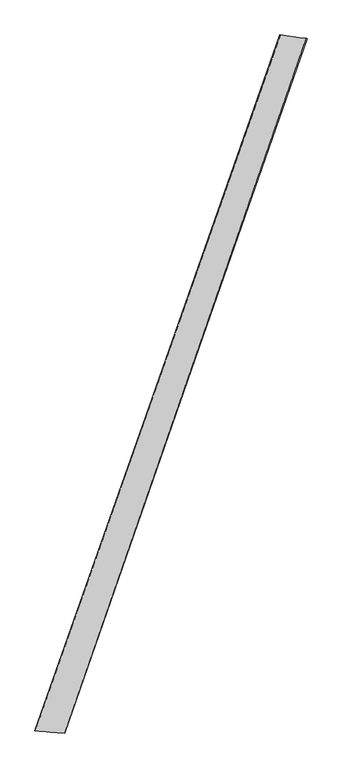
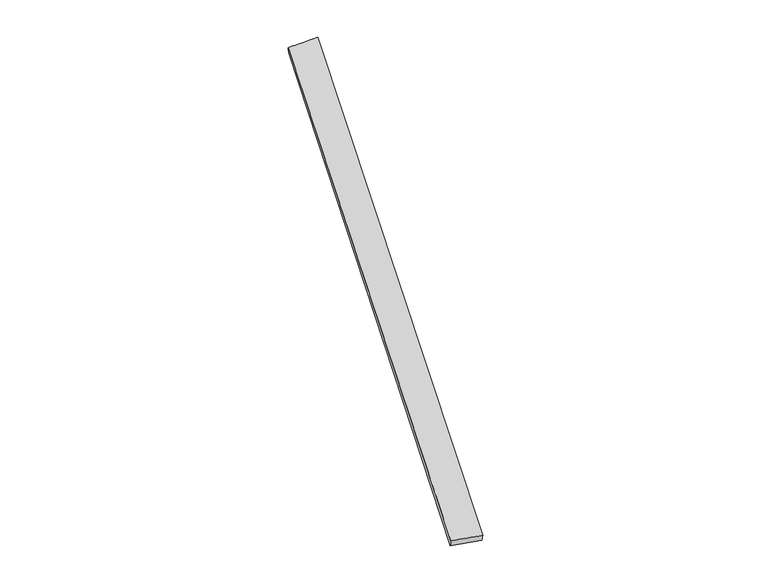
"""IFC4 building model written with IfcOpenShell, lengths in millimetres: proxy geometry."""

from ifc_helpers import new_model, si_unit, origin, place, context, project, spatial, source, transform, mapped, element, save
from ifc_brep_helpers import spline_surface, advanced_brep


def generic_models_fdafc3f8(model_context):
    return source(origin(), model_context, "Body", "AdvancedBrep", [
        advanced_brep(
        [(-713.521043, -1807.5866422, 9.7457748), (-710.6186279, -1808.4604367, 39.5922565), (699.3482412, 2205.1834262, 19.3163057), (702.4032942, 2203.9545969, -10.5024238), (-540.851052, -1821.016118, 19.9540119), (851.09365, 2184.6534794, 40.1284741), (-544.6257497, -1819.5447785, -9.7711764), (855.7434985, 2183.1768238, 10.5278255)],
        [
            (0, 1),
            (1, 2),
            (2, 3),
            (3, 0),
            (1, 4),
            (4, 5),
            (5, 2),
            (4, 6),
            (6, 7),
            (7, 5),
            (6, 0),
            (3, 7),
        ],
        [
            spline_surface(1, 1, [[(-713.521043, -1807.5866422, 9.7457748), (702.4032942, 2203.9545969, -10.5024238)], [(-710.6186279, -1808.4604367, 39.5922565), (699.3482412, 2205.1834262, 19.3163057)]], [2, 2], [2, 2], [0.0, 1.0], [0.0, 1.0]),
            spline_surface(1, 1, [[(-710.6186279, -1808.4604367, 39.5922565), (699.3482412, 2205.1834262, 19.3163057)], [(-540.851052, -1821.016118, 19.9540119), (851.09365, 2184.6534794, 40.1284741)]], [2, 2], [2, 2], [0.0, 1.0], [0.0, 1.0]),
            spline_surface(1, 1, [[(-540.851052, -1821.016118, 19.9540119), (851.09365, 2184.6534794, 40.1284741)], [(-544.6257497, -1819.5447785, -9.7711764), (855.7434985, 2183.1768238, 10.5278255)]], [2, 2], [2, 2], [0.0, 1.0], [0.0, 1.0]),
            spline_surface(1, 1, [[(-544.6257497, -1819.5447785, -9.7711764), (855.7434985, 2183.1768238, 10.5278255)], [(-713.521043, -1807.5866422, 9.7457748), (702.4032942, 2203.9545969, -10.5024238)]], [2, 2], [2, 2], [0.0, 1.0], [0.0, 1.0]),
            spline_surface(1, 1, [[(699.3482412, 2205.1834262, 19.3163057), (702.4032942, 2203.9545969, -10.5024238)], [(851.09365, 2184.6534794, 40.1284741), (855.7434985, 2183.1768238, 10.5278255)]], [2, 2], [2, 2], [0.0, 1.0], [0.0, 1.0]),
            spline_surface(1, 1, [[(-544.6257497, -1819.5447785, -9.7711764), (-713.521043, -1807.5866422, 9.7457748)], [(-540.851052, -1821.016118, 19.9540119), (-710.6186279, -1808.4604367, 39.5922565)]], [2, 2], [2, 2], [0.0, 1.0], [0.0, 1.0]),
        ],
        [
            (0, [[1, 2, 3, 4]]),
            (1, [[5, 6, 7, -2]]),
            (2, [[8, 9, 10, -6]]),
            (3, [[11, -4, 12, -9]]),
            (4, [[-3, -7, -10, -12]]),
            (5, [[-11, -8, -5, -1]]),
        ],
    ),
    ])


if __name__ == "__main__":
    model = new_model("IFC4")
    model_context = context("Model", 3, world=origin())
    ifc_project = project(units=[si_unit("LENGTHUNIT", "METRE", prefix="MILLI")], contexts=[model_context])
    site = spatial("IfcSite", under=ifc_project)
    building = spatial("IfcBuilding", under=site)
    placement = place(None, origin())
    generic_models_shape = generic_models_fdafc3f8(model_context)
    element("IfcBuildingElementProxy", 1, Name="Generic Models", at=placement, inside=building, context=model_context, shape_type="MappedRepresentation", body=[
        mapped(generic_models_shape, transform((0.0, 0.0, 0.0), x_axis=(1.0, 0.0, 0.0), y_axis=(0.0, 1.0, 0.0), z_axis=(0.0, 0.0, 1.0))),
    ])
    save(model, "model.ifc")
